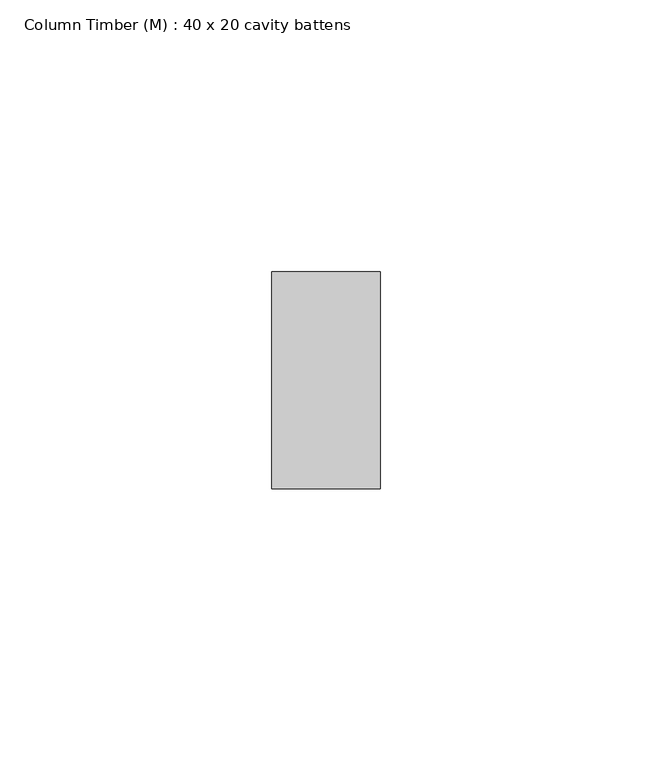
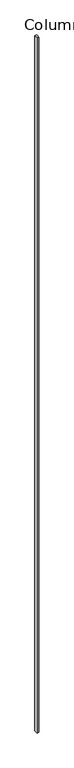
"""IFC4 building model written with IfcOpenShell, lengths in millimetres: column geometry, Column Timber (M) : 40 x 20 cavity battens."""

from ifc_helpers import new_model, si_unit, frame, origin, place, context, project, spatial, polyline, outline, extrude, source, transform, mapped, element, save


def column_timber_m_40_x_20_cavity_battens_17ed2a6d(model_context):
    return source(origin(), model_context, "Body", "SweptSolid", [
        extrude(outline(polyline([(10.0, 20.0), (10.0, -20.0), (-10.0, -20.0), (-10.0, 20.0), (10.0, 20.0)])), frame((0.0, 0.0, -8000.0), z_axis=(0.0, 0.0, 1.0), x_axis=(1.0, 0.0, 0.0)), (0.0, 0.0, 1.0), 7780.0),
    ])


if __name__ == "__main__":
    model = new_model("IFC4")
    model_context = context("Model", 3, world=origin())
    ifc_project = project(units=[si_unit("LENGTHUNIT", "METRE", prefix="MILLI")], contexts=[model_context])
    site = spatial("IfcSite", under=ifc_project)
    building = spatial("IfcBuilding", under=site)
    placement = place(None, origin())
    column_timber_m_40_x_20_cavity_battens_shape = column_timber_m_40_x_20_cavity_battens_17ed2a6d(model_context)
    element("IfcColumn", 1, ObjectType="Column Timber (M) : 40 x 20 cavity battens", at=placement, inside=building, context=model_context, shape_type="MappedRepresentation", body=[
        mapped(column_timber_m_40_x_20_cavity_battens_shape, transform((0.0, 0.0, 0.0), x_axis=(1.0, 0.0, 0.0), y_axis=(0.0, 1.0, 0.0), z_axis=(0.0, 0.0, 1.0))),
    ])
    save(model, "model.ifc")
